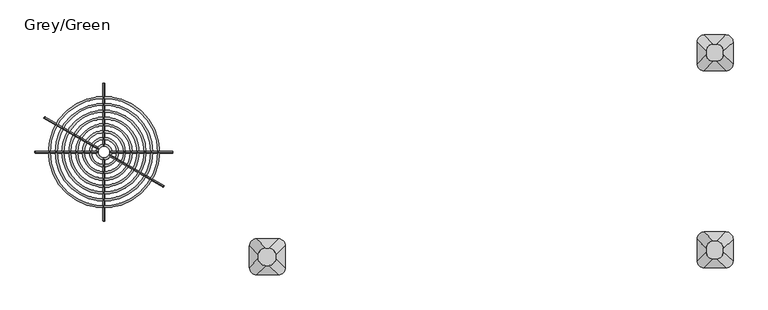
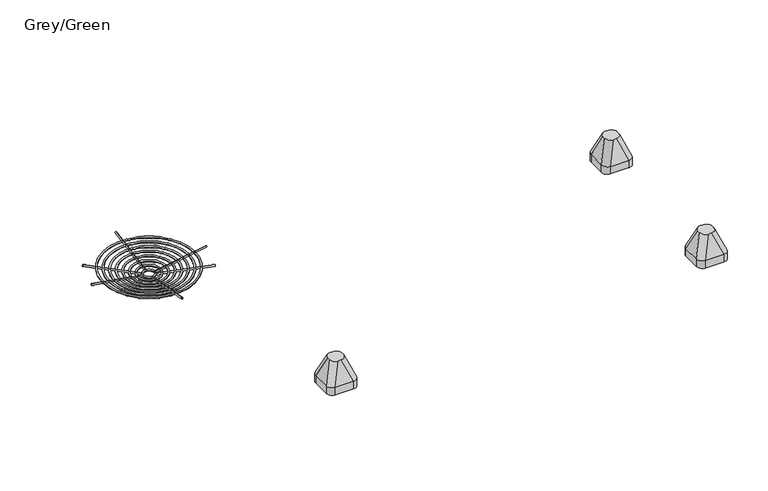
"""IFC4 building model written with IfcOpenShell, lengths in millimetres: furniture geometry, Grey/Green."""

from ifc_helpers import new_model, si_unit, point, frame, frame_2d, origin, place, context, project, spatial, circle_curve, ellipse_curve, trimmed, segment, composite_curve, outline, extrude, source, transform, mapped, element, save
from ifc_brep_helpers import plane_surface, cylinder_surface, revolved_surface, extruded_surface, advanced_brep


def grey_green_5bdf737d(model_context):
    return source(origin(), model_context, "Body", "SolidModel", [
        extrude(outline(composite_curve([segment(trimmed(circle_curve(frame_2d((0.0, -8.0000001)), 8.0), [point((0.0, -16.0))], [point((0.0, 0.0))], False, "CARTESIAN"), True, "CONTINUOUS"), segment(trimmed(circle_curve(frame_2d((0.0, -8.0000001)), 8.0), [point((0.0, 0.0))], [point((0.0, -16.0))], False, "CARTESIAN"), True, "CONTINUOUS")], self_intersect=False)), frame((-48.3054722, 22.088136, 510.4143934), z_axis=(-0.8532184077808784, 0.4926058774098467, 0.17134117475124833), x_axis=(-0.5000000000000097, -0.8660254037844332, 0.0)), (0.0, 0.0, 1.0), 525.6770169),
        extrude(outline(composite_curve([segment(trimmed(circle_curve(frame_2d((0.0, -8.0000001)), 8.0), [point((0.0, -16.0))], [point((0.0, 0.0))], False, "CARTESIAN"), True, "CONTINUOUS"), segment(trimmed(circle_curve(frame_2d((0.0, -8.0000001)), 8.0), [point((0.0, 0.0))], [point((0.0, -16.0))], False, "CARTESIAN"), True, "CONTINUOUS")], self_intersect=False)), frame((48.2360089, -33.6501141, 510.5528529), z_axis=(0.8532184077808816, -0.49260587740984113, 0.17134117475124833), x_axis=(0.500000000000004, 0.8660254037844364, 0.0)), (0.0, 0.0, 1.0), 525.6770169),
        extrude(outline(composite_curve([segment(trimmed(circle_curve(frame_2d((0.0, -8.0000001)), 8.0), [point((0.0, -16.0))], [point((0.0, 0.0))], False, "CARTESIAN"), True, "CONTINUOUS"), segment(trimmed(circle_curve(frame_2d((0.0, -8.0000001)), 8.0), [point((0.0, 0.0))], [point((0.0, -16.0))], False, "CARTESIAN"), True, "CONTINUOUS")], self_intersect=False)), frame((-55.7729818, -5.7809891, 510.4143934), z_axis=(-0.9852117548196744, 0.0, 0.1713411747512483), x_axis=(0.0, -1.0, 0.0)), (0.0, 0.0, 1.0), 525.6770169),
        extrude(outline(composite_curve([segment(trimmed(circle_curve(frame_2d((0.0, -8.0000001)), 8.0), [point((0.0, -16.0))], [point((0.0, 0.0))], False, "CARTESIAN"), True, "CONTINUOUS"), segment(trimmed(circle_curve(frame_2d((0.0, -8.0000001)), 8.0), [point((0.0, 0.0))], [point((0.0, -16.0))], False, "CARTESIAN"), True, "CONTINUOUS")], self_intersect=False)), frame((55.7035184, -5.7809891, 510.5528529), z_axis=(0.9852117548196744, 0.0, 0.1713411747512483), x_axis=(0.0, 1.0, 0.0)), (0.0, 0.0, 1.0), 525.6770169),
        extrude(outline(composite_curve([segment(trimmed(circle_curve(frame_2d((0.0, -8.0000001)), 8.0), [point((0.0, -16.0))], [point((0.0, 0.0))], False, "CARTESIAN"), True, "CONTINUOUS"), segment(trimmed(circle_curve(frame_2d((0.0, -8.0000001)), 8.0), [point((0.0, 0.0))], [point((0.0, -16.0))], False, "CARTESIAN"), True, "CONTINUOUS")], self_intersect=False)), frame((-0.0347317, -61.5192392, 510.4143934), z_axis=(0.0, -0.9852117548196744, 0.17134117475124827), x_axis=(1.0, 0.0, 0.0)), (0.0, 0.0, 1.0), 525.6770169),
        extrude(outline(composite_curve([segment(trimmed(circle_curve(frame_2d((0.0, -8.0000001)), 8.0), [point((0.0, -16.0))], [point((0.0, 0.0))], False, "CARTESIAN"), True, "CONTINUOUS"), segment(trimmed(circle_curve(frame_2d((0.0, -8.0000001)), 8.0), [point((0.0, 0.0))], [point((0.0, -16.0))], False, "CARTESIAN"), True, "CONTINUOUS")], self_intersect=False)), frame((-0.0347317, 49.957261, 510.5528529), z_axis=(0.0, 0.9852117548196744, 0.1713411747512483), x_axis=(-1.0, 0.0, 0.0)), (0.0, 0.0, 1.0), 525.6770169),
        advanced_brep(
        [(448.7364652, -5.7567737, 572.190214), (-448.7364652, -5.7567737, 572.190214), (-464.7364652, -5.7567737, 572.190214), (464.7364652, -5.7567737, 572.190214)],
        [
            (0, 1, circle_curve(frame((0.0, -5.7567737, 572.190214), z_axis=(0.0, 0.0, -1.0), x_axis=(-1.0, 0.0, 0.0)), 448.7364652)),
            (1, 2, circle_curve(frame((-456.7364652, -5.7567737, 572.190214), z_axis=(0.0, -1.0, 0.0), x_axis=(1.0, 0.0, 0.0)), 8.0)),
            (2, 3, circle_curve(frame((0.0, -5.7567737, 572.190214), z_axis=(0.0, 0.0, 1.0), x_axis=(-1.0, 0.0, 0.0)), 464.7364652)),
            (3, 0, circle_curve(frame((456.7364652, -5.7567737, 572.190214), z_axis=(0.0, -1.0, 0.0), x_axis=(-1.0, 0.0, 0.0)), 8.0)),
            (2, 1, circle_curve(frame((-456.7364652, -5.7567737, 572.190214), z_axis=(0.0, -1.0, 0.0), x_axis=(1.0, 0.0, 0.0)), 8.0)),
            (0, 3, circle_curve(frame((456.7364652, -5.7567737, 572.190214), z_axis=(0.0, -1.0, 0.0), x_axis=(-1.0, 0.0, 0.0)), 8.0)),
            (1, 0, circle_curve(frame((0.0, -5.7567737, 572.190214), z_axis=(0.0, 0.0, -1.0), x_axis=(1.0, 0.0, 0.0)), 448.7364652)),
            (3, 2, circle_curve(frame((0.0, -5.7567737, 572.190214), z_axis=(0.0, 0.0, 1.0), x_axis=(1.0, 0.0, 0.0)), 464.7364652)),
        ],
        [
            revolved_surface(trimmed(ellipse_curve(frame((-456.7364652, -5.7567737, 572.190214), z_axis=(0.0, 1.0, 0.0), x_axis=(1.0, 0.0, 0.0)), 8.0, 8.0), [point((-464.7364652, -5.7567737, 572.190214))], [point((-448.7364652, -5.7567737, 572.190214))], True, "CARTESIAN"), (0.0, -5.7567737, 0.1), (0.0, 0.0, 1.0)),
            revolved_surface(trimmed(ellipse_curve(frame((-456.7364652, -5.7567737, 572.190214), z_axis=(0.0, 1.0, 0.0), x_axis=(1.0, 0.0, 0.0)), 8.0, 8.0), [point((-448.7364652, -5.7567737, 572.190214))], [point((-464.7364652, -5.7567737, 572.190214))], True, "CARTESIAN"), (0.0, -5.7567737, 0.1), (0.0, 0.0, 1.0)),
            revolved_surface(trimmed(ellipse_curve(frame((456.7364652, -5.7567737, 572.190214), z_axis=(0.0, -1.0, 0.0), x_axis=(-1.0, 0.0, 0.0)), 8.0, 8.0), [point((464.7364652, -5.7567737, 572.190214))], [point((448.7364652, -5.7567737, 572.190214))], True, "CARTESIAN"), (0.0, -5.7567737, 0.1), (0.0, 0.0, 1.0)),
            revolved_surface(trimmed(ellipse_curve(frame((456.7364652, -5.7567737, 572.190214), z_axis=(0.0, -1.0, 0.0), x_axis=(-1.0, 0.0, 0.0)), 8.0, 8.0), [point((448.7364652, -5.7567737, 572.190214))], [point((464.7364652, -5.7567737, 572.190214))], True, "CARTESIAN"), (0.0, -5.7567737, 0.1), (0.0, 0.0, 1.0)),
        ],
        [
            (0, [[1, 2, 3, 4]]),
            (1, [[-3, 5, -1, 6]]),
            (2, [[7, -4, 8, -2]]),
            (3, [[-8, -6, -7, -5]]),
        ],
    ),
        advanced_brep(
        [(391.6928848, -5.7567737, 562.1714642), (-391.6928848, -5.7567737, 562.1714642), (-407.6928848, -5.7567737, 562.1714642), (407.6928848, -5.7567737, 562.1714642)],
        [
            (0, 1, circle_curve(frame((0.0, -5.7567737, 562.1714642), z_axis=(0.0, 0.0, -1.0), x_axis=(-1.0, 0.0, 0.0)), 391.6928848)),
            (1, 2, circle_curve(frame((-399.6928848, -5.7567737, 562.1714642), z_axis=(0.0, -1.0, 0.0), x_axis=(1.0, 0.0, 0.0)), 8.0)),
            (2, 3, circle_curve(frame((0.0, -5.7567737, 562.1714642), z_axis=(0.0, 0.0, 1.0), x_axis=(-1.0, 0.0, 0.0)), 407.6928848)),
            (3, 0, circle_curve(frame((399.6928848, -5.7567737, 562.1714642), z_axis=(0.0, -1.0, 0.0), x_axis=(-1.0, 0.0, 0.0)), 8.0)),
            (2, 1, circle_curve(frame((-399.6928848, -5.7567737, 562.1714642), z_axis=(0.0, -1.0, 0.0), x_axis=(1.0, 0.0, 0.0)), 8.0)),
            (0, 3, circle_curve(frame((399.6928848, -5.7567737, 562.1714642), z_axis=(0.0, -1.0, 0.0), x_axis=(-1.0, 0.0, 0.0)), 8.0)),
            (1, 0, circle_curve(frame((0.0, -5.7567737, 562.1714642), z_axis=(0.0, 0.0, -1.0), x_axis=(1.0, 0.0, 0.0)), 391.6928848)),
            (3, 2, circle_curve(frame((0.0, -5.7567737, 562.1714642), z_axis=(0.0, 0.0, 1.0), x_axis=(1.0, 0.0, 0.0)), 407.6928848)),
        ],
        [
            revolved_surface(trimmed(ellipse_curve(frame((-399.6928848, -5.7567737, 562.1714642), z_axis=(0.0, 1.0, 0.0), x_axis=(1.0, 0.0, 0.0)), 8.0, 8.0), [point((-407.6928848, -5.7567737, 562.1714642))], [point((-391.6928848, -5.7567737, 562.1714642))], True, "CARTESIAN"), (0.0, -5.7567737, 0.1), (0.0, 0.0, 1.0)),
            revolved_surface(trimmed(ellipse_curve(frame((-399.6928848, -5.7567737, 562.1714642), z_axis=(0.0, 1.0, 0.0), x_axis=(1.0, 0.0, 0.0)), 8.0, 8.0), [point((-391.6928848, -5.7567737, 562.1714642))], [point((-407.6928848, -5.7567737, 562.1714642))], True, "CARTESIAN"), (0.0, -5.7567737, 0.1), (0.0, 0.0, 1.0)),
            revolved_surface(trimmed(ellipse_curve(frame((399.6928848, -5.7567737, 562.1714642), z_axis=(0.0, -1.0, 0.0), x_axis=(-1.0, 0.0, 0.0)), 8.0, 8.0), [point((407.6928848, -5.7567737, 562.1714642))], [point((391.6928848, -5.7567737, 562.1714642))], True, "CARTESIAN"), (0.0, -5.7567737, 0.1), (0.0, 0.0, 1.0)),
            revolved_surface(trimmed(ellipse_curve(frame((399.6928848, -5.7567737, 562.1714642), z_axis=(0.0, -1.0, 0.0), x_axis=(-1.0, 0.0, 0.0)), 8.0, 8.0), [point((391.6928848, -5.7567737, 562.1714642))], [point((407.6928848, -5.7567737, 562.1714642))], True, "CARTESIAN"), (0.0, -5.7567737, 0.1), (0.0, 0.0, 1.0)),
        ],
        [
            (0, [[1, 2, 3, 4]]),
            (1, [[-3, 5, -1, 6]]),
            (2, [[7, -4, 8, -2]]),
            (3, [[-8, -6, -7, -5]]),
        ],
    ),
        advanced_brep(
        [(334.6014773, -5.7567737, 552.3139496), (-334.6014773, -5.7567737, 552.3139496), (-350.6014773, -5.7567737, 552.3139496), (350.6014773, -5.7567737, 552.3139496)],
        [
            (0, 1, circle_curve(frame((0.0, -5.7567737, 552.3139496), z_axis=(0.0, 0.0, -1.0), x_axis=(-1.0, 0.0, 0.0)), 334.6014773)),
            (1, 2, circle_curve(frame((-342.6014773, -5.7567737, 552.3139496), z_axis=(0.0, -1.0, 0.0), x_axis=(1.0, 0.0, 0.0)), 8.0)),
            (2, 3, circle_curve(frame((0.0, -5.7567737, 552.3139496), z_axis=(0.0, 0.0, 1.0), x_axis=(-1.0, 0.0, 0.0)), 350.6014773)),
            (3, 0, circle_curve(frame((342.6014773, -5.7567737, 552.3139496), z_axis=(0.0, -1.0, 0.0), x_axis=(-1.0, 0.0, 0.0)), 8.0)),
            (2, 1, circle_curve(frame((-342.6014773, -5.7567737, 552.3139496), z_axis=(0.0, -1.0, 0.0), x_axis=(1.0, 0.0, 0.0)), 8.0)),
            (0, 3, circle_curve(frame((342.6014773, -5.7567737, 552.3139496), z_axis=(0.0, -1.0, 0.0), x_axis=(-1.0, 0.0, 0.0)), 8.0)),
            (1, 0, circle_curve(frame((0.0, -5.7567737, 552.3139496), z_axis=(0.0, 0.0, -1.0), x_axis=(1.0, 0.0, 0.0)), 334.6014773)),
            (3, 2, circle_curve(frame((0.0, -5.7567737, 552.3139496), z_axis=(0.0, 0.0, 1.0), x_axis=(1.0, 0.0, 0.0)), 350.6014773)),
        ],
        [
            revolved_surface(trimmed(ellipse_curve(frame((-342.6014773, -5.7567737, 552.3139496), z_axis=(0.0, 1.0, 0.0), x_axis=(1.0, 0.0, 0.0)), 8.0, 8.0), [point((-350.6014773, -5.7567737, 552.3139496))], [point((-334.6014773, -5.7567737, 552.3139496))], True, "CARTESIAN"), (0.0, -5.7567737, 0.1), (0.0, 0.0, 1.0)),
            revolved_surface(trimmed(ellipse_curve(frame((-342.6014773, -5.7567737, 552.3139496), z_axis=(0.0, 1.0, 0.0), x_axis=(1.0, 0.0, 0.0)), 8.0, 8.0), [point((-334.6014773, -5.7567737, 552.3139496))], [point((-350.6014773, -5.7567737, 552.3139496))], True, "CARTESIAN"), (0.0, -5.7567737, 0.1), (0.0, 0.0, 1.0)),
            revolved_surface(trimmed(ellipse_curve(frame((342.6014773, -5.7567737, 552.3139496), z_axis=(0.0, -1.0, 0.0), x_axis=(-1.0, 0.0, 0.0)), 8.0, 8.0), [point((350.6014773, -5.7567737, 552.3139496))], [point((334.6014773, -5.7567737, 552.3139496))], True, "CARTESIAN"), (0.0, -5.7567737, 0.1), (0.0, 0.0, 1.0)),
            revolved_surface(trimmed(ellipse_curve(frame((342.6014773, -5.7567737, 552.3139496), z_axis=(0.0, -1.0, 0.0), x_axis=(-1.0, 0.0, 0.0)), 8.0, 8.0), [point((334.6014773, -5.7567737, 552.3139496))], [point((350.6014773, -5.7567737, 552.3139496))], True, "CARTESIAN"), (0.0, -5.7567737, 0.1), (0.0, 0.0, 1.0)),
        ],
        [
            (0, [[1, 2, 3, 4]]),
            (1, [[-3, 5, -1, 6]]),
            (2, [[7, -4, 8, -2]]),
            (3, [[-8, -6, -7, -5]]),
        ],
    ),
        advanced_brep(
        [(277.4216223, -5.7567737, 542.3912884), (-277.4216223, -5.7567737, 542.3912884), (-293.4216223, -5.7567737, 542.3912884), (293.4216223, -5.7567737, 542.3912884)],
        [
            (0, 1, circle_curve(frame((0.0, -5.7567737, 542.3912884), z_axis=(0.0, 0.0, -1.0), x_axis=(-1.0, 0.0, 0.0)), 277.4216223)),
            (1, 2, circle_curve(frame((-285.4216223, -5.7567737, 542.3912884), z_axis=(0.0, -1.0, 0.0), x_axis=(1.0, 0.0, 0.0)), 8.0)),
            (2, 3, circle_curve(frame((0.0, -5.7567737, 542.3912884), z_axis=(0.0, 0.0, 1.0), x_axis=(-1.0, 0.0, 0.0)), 293.4216223)),
            (3, 0, circle_curve(frame((285.4216223, -5.7567737, 542.3912884), z_axis=(0.0, -1.0, 0.0), x_axis=(-1.0, 0.0, 0.0)), 8.0)),
            (2, 1, circle_curve(frame((-285.4216223, -5.7567737, 542.3912884), z_axis=(0.0, -1.0, 0.0), x_axis=(1.0, 0.0, 0.0)), 8.0)),
            (0, 3, circle_curve(frame((285.4216223, -5.7567737, 542.3912884), z_axis=(0.0, -1.0, 0.0), x_axis=(-1.0, 0.0, 0.0)), 8.0)),
            (1, 0, circle_curve(frame((0.0, -5.7567737, 542.3912884), z_axis=(0.0, 0.0, -1.0), x_axis=(1.0, 0.0, 0.0)), 277.4216223)),
            (3, 2, circle_curve(frame((0.0, -5.7567737, 542.3912884), z_axis=(0.0, 0.0, 1.0), x_axis=(1.0, 0.0, 0.0)), 293.4216223)),
        ],
        [
            revolved_surface(trimmed(ellipse_curve(frame((-285.4216223, -5.7567737, 542.3912884), z_axis=(0.0, 1.0, 0.0), x_axis=(1.0, 0.0, 0.0)), 8.0, 8.0), [point((-293.4216223, -5.7567737, 542.3912884))], [point((-277.4216223, -5.7567737, 542.3912884))], True, "CARTESIAN"), (0.0, -5.7567737, 0.1), (0.0, 0.0, 1.0)),
            revolved_surface(trimmed(ellipse_curve(frame((-285.4216223, -5.7567737, 542.3912884), z_axis=(0.0, 1.0, 0.0), x_axis=(1.0, 0.0, 0.0)), 8.0, 8.0), [point((-277.4216223, -5.7567737, 542.3912884))], [point((-293.4216223, -5.7567737, 542.3912884))], True, "CARTESIAN"), (0.0, -5.7567737, 0.1), (0.0, 0.0, 1.0)),
            revolved_surface(trimmed(ellipse_curve(frame((285.4216223, -5.7567737, 542.3912884), z_axis=(0.0, -1.0, 0.0), x_axis=(-1.0, 0.0, 0.0)), 8.0, 8.0), [point((293.4216223, -5.7567737, 542.3912884))], [point((277.4216223, -5.7567737, 542.3912884))], True, "CARTESIAN"), (0.0, -5.7567737, 0.1), (0.0, 0.0, 1.0)),
            revolved_surface(trimmed(ellipse_curve(frame((285.4216223, -5.7567737, 542.3912884), z_axis=(0.0, -1.0, 0.0), x_axis=(-1.0, 0.0, 0.0)), 8.0, 8.0), [point((277.4216223, -5.7567737, 542.3912884))], [point((293.4216223, -5.7567737, 542.3912884))], True, "CARTESIAN"), (0.0, -5.7567737, 0.1), (0.0, 0.0, 1.0)),
        ],
        [
            (0, [[1, 2, 3, 4]]),
            (1, [[-3, 5, -1, 6]]),
            (2, [[7, -4, 8, -2]]),
            (3, [[-8, -6, -7, -5]]),
        ],
    ),
        advanced_brep(
        [(220.4010994, -5.7567737, 532.4558342), (-220.4010994, -5.7567737, 532.4558342), (-236.4010994, -5.7567737, 532.4558342), (236.4010994, -5.7567737, 532.4558342)],
        [
            (0, 1, circle_curve(frame((0.0, -5.7567737, 532.4558342), z_axis=(0.0, 0.0, -1.0), x_axis=(-1.0, 0.0, 0.0)), 220.4010994)),
            (1, 2, circle_curve(frame((-228.4010994, -5.7567737, 532.4558342), z_axis=(0.0, -1.0, 0.0), x_axis=(1.0, 0.0, 0.0)), 8.0)),
            (2, 3, circle_curve(frame((0.0, -5.7567737, 532.4558342), z_axis=(0.0, 0.0, 1.0), x_axis=(-1.0, 0.0, 0.0)), 236.4010994)),
            (3, 0, circle_curve(frame((228.4010994, -5.7567737, 532.4558342), z_axis=(0.0, -1.0, 0.0), x_axis=(-1.0, 0.0, 0.0)), 8.0)),
            (2, 1, circle_curve(frame((-228.4010994, -5.7567737, 532.4558342), z_axis=(0.0, -1.0, 0.0), x_axis=(1.0, 0.0, 0.0)), 8.0)),
            (0, 3, circle_curve(frame((228.4010994, -5.7567737, 532.4558342), z_axis=(0.0, -1.0, 0.0), x_axis=(-1.0, 0.0, 0.0)), 8.0)),
            (1, 0, circle_curve(frame((0.0, -5.7567737, 532.4558342), z_axis=(0.0, 0.0, -1.0), x_axis=(1.0, 0.0, 0.0)), 220.4010994)),
            (3, 2, circle_curve(frame((0.0, -5.7567737, 532.4558342), z_axis=(0.0, 0.0, 1.0), x_axis=(1.0, 0.0, 0.0)), 236.4010994)),
        ],
        [
            revolved_surface(trimmed(ellipse_curve(frame((-228.4010994, -5.7567737, 532.4558342), z_axis=(0.0, 1.0, 0.0), x_axis=(1.0, 0.0, 0.0)), 8.0, 8.0), [point((-236.4010994, -5.7567737, 532.4558342))], [point((-220.4010994, -5.7567737, 532.4558342))], True, "CARTESIAN"), (0.0, -5.7567737, 0.1), (0.0, 0.0, 1.0)),
            revolved_surface(trimmed(ellipse_curve(frame((-228.4010994, -5.7567737, 532.4558342), z_axis=(0.0, 1.0, 0.0), x_axis=(1.0, 0.0, 0.0)), 8.0, 8.0), [point((-220.4010994, -5.7567737, 532.4558342))], [point((-236.4010994, -5.7567737, 532.4558342))], True, "CARTESIAN"), (0.0, -5.7567737, 0.1), (0.0, 0.0, 1.0)),
            revolved_surface(trimmed(ellipse_curve(frame((228.4010994, -5.7567737, 532.4558342), z_axis=(0.0, -1.0, 0.0), x_axis=(-1.0, 0.0, 0.0)), 8.0, 8.0), [point((236.4010994, -5.7567737, 532.4558342))], [point((220.4010994, -5.7567737, 532.4558342))], True, "CARTESIAN"), (0.0, -5.7567737, 0.1), (0.0, 0.0, 1.0)),
            revolved_surface(trimmed(ellipse_curve(frame((228.4010994, -5.7567737, 532.4558342), z_axis=(0.0, -1.0, 0.0), x_axis=(-1.0, 0.0, 0.0)), 8.0, 8.0), [point((220.4010994, -5.7567737, 532.4558342))], [point((236.4010994, -5.7567737, 532.4558342))], True, "CARTESIAN"), (0.0, -5.7567737, 0.1), (0.0, 0.0, 1.0)),
        ],
        [
            (0, [[1, 2, 3, 4]]),
            (1, [[-3, 5, -1, 6]]),
            (2, [[7, -4, 8, -2]]),
            (3, [[-8, -6, -7, -5]]),
        ],
    ),
        advanced_brep(
        [(163.3918023, -5.7567737, 522.4456297), (-163.3918023, -5.7567737, 522.4456297), (-179.3918023, -5.7567737, 522.4456297), (179.3918023, -5.7567737, 522.4456297)],
        [
            (0, 1, circle_curve(frame((0.0, -5.7567737, 522.4456297), z_axis=(0.0, 0.0, -1.0), x_axis=(-1.0, 0.0, 0.0)), 163.3918023)),
            (1, 2, circle_curve(frame((-171.3918023, -5.7567737, 522.4456297), z_axis=(0.0, -1.0, 0.0), x_axis=(1.0, 0.0, 0.0)), 8.0)),
            (2, 3, circle_curve(frame((0.0, -5.7567737, 522.4456297), z_axis=(0.0, 0.0, 1.0), x_axis=(-1.0, 0.0, 0.0)), 179.3918023)),
            (3, 0, circle_curve(frame((171.3918023, -5.7567737, 522.4456297), z_axis=(0.0, -1.0, 0.0), x_axis=(-1.0, 0.0, 0.0)), 8.0)),
            (2, 1, circle_curve(frame((-171.3918023, -5.7567737, 522.4456297), z_axis=(0.0, -1.0, 0.0), x_axis=(1.0, 0.0, 0.0)), 8.0)),
            (0, 3, circle_curve(frame((171.3918023, -5.7567737, 522.4456297), z_axis=(0.0, -1.0, 0.0), x_axis=(-1.0, 0.0, 0.0)), 8.0)),
            (1, 0, circle_curve(frame((0.0, -5.7567737, 522.4456297), z_axis=(0.0, 0.0, -1.0), x_axis=(1.0, 0.0, 0.0)), 163.3918023)),
            (3, 2, circle_curve(frame((0.0, -5.7567737, 522.4456297), z_axis=(0.0, 0.0, 1.0), x_axis=(1.0, 0.0, 0.0)), 179.3918023)),
        ],
        [
            revolved_surface(trimmed(ellipse_curve(frame((-171.3918023, -5.7567737, 522.4456297), z_axis=(0.0, 1.0, 0.0), x_axis=(1.0, 0.0, 0.0)), 8.0, 8.0), [point((-179.3918023, -5.7567737, 522.4456297))], [point((-163.3918023, -5.7567737, 522.4456297))], True, "CARTESIAN"), (0.0, -5.7567737, 0.1), (0.0, 0.0, 1.0)),
            revolved_surface(trimmed(ellipse_curve(frame((-171.3918023, -5.7567737, 522.4456297), z_axis=(0.0, 1.0, 0.0), x_axis=(1.0, 0.0, 0.0)), 8.0, 8.0), [point((-163.3918023, -5.7567737, 522.4456297))], [point((-179.3918023, -5.7567737, 522.4456297))], True, "CARTESIAN"), (0.0, -5.7567737, 0.1), (0.0, 0.0, 1.0)),
            revolved_surface(trimmed(ellipse_curve(frame((171.3918023, -5.7567737, 522.4456297), z_axis=(0.0, -1.0, 0.0), x_axis=(-1.0, 0.0, 0.0)), 8.0, 8.0), [point((179.3918023, -5.7567737, 522.4456297))], [point((163.3918023, -5.7567737, 522.4456297))], True, "CARTESIAN"), (0.0, -5.7567737, 0.1), (0.0, 0.0, 1.0)),
            revolved_surface(trimmed(ellipse_curve(frame((171.3918023, -5.7567737, 522.4456297), z_axis=(0.0, -1.0, 0.0), x_axis=(-1.0, 0.0, 0.0)), 8.0, 8.0), [point((163.3918023, -5.7567737, 522.4456297))], [point((179.3918023, -5.7567737, 522.4456297))], True, "CARTESIAN"), (0.0, -5.7567737, 0.1), (0.0, 0.0, 1.0)),
        ],
        [
            (0, [[1, 2, 3, 4]]),
            (1, [[-3, 5, -1, 6]]),
            (2, [[7, -4, 8, -2]]),
            (3, [[-8, -6, -7, -5]]),
        ],
    ),
        advanced_brep(
        [(106.2067904, -5.7567737, 512.5258509), (-106.2067904, -5.7567737, 512.5258509), (-122.2067904, -5.7567737, 512.5258509), (122.2067904, -5.7567737, 512.5258509)],
        [
            (0, 1, circle_curve(frame((0.0, -5.7567737, 512.5258509), z_axis=(0.0, 0.0, -1.0), x_axis=(-1.0, 0.0, 0.0)), 106.2067904)),
            (1, 2, circle_curve(frame((-114.2067904, -5.7567737, 512.5258509), z_axis=(0.0, -1.0, 0.0), x_axis=(1.0, 0.0, 0.0)), 8.0)),
            (2, 3, circle_curve(frame((0.0, -5.7567737, 512.5258509), z_axis=(0.0, 0.0, 1.0), x_axis=(-1.0, 0.0, 0.0)), 122.2067904)),
            (3, 0, circle_curve(frame((114.2067904, -5.7567737, 512.5258509), z_axis=(0.0, -1.0, 0.0), x_axis=(-1.0, 0.0, 0.0)), 8.0)),
            (2, 1, circle_curve(frame((-114.2067904, -5.7567737, 512.5258509), z_axis=(0.0, -1.0, 0.0), x_axis=(1.0, 0.0, 0.0)), 8.0)),
            (0, 3, circle_curve(frame((114.2067904, -5.7567737, 512.5258509), z_axis=(0.0, -1.0, 0.0), x_axis=(-1.0, 0.0, 0.0)), 8.0)),
            (1, 0, circle_curve(frame((0.0, -5.7567737, 512.5258509), z_axis=(0.0, 0.0, -1.0), x_axis=(1.0, 0.0, 0.0)), 106.2067904)),
            (3, 2, circle_curve(frame((0.0, -5.7567737, 512.5258509), z_axis=(0.0, 0.0, 1.0), x_axis=(1.0, 0.0, 0.0)), 122.2067904)),
        ],
        [
            revolved_surface(trimmed(ellipse_curve(frame((-114.2067904, -5.7567737, 512.5258509), z_axis=(0.0, 1.0, 0.0), x_axis=(1.0, 0.0, 0.0)), 8.0, 8.0), [point((-122.2067904, -5.7567737, 512.5258509))], [point((-106.2067904, -5.7567737, 512.5258509))], True, "CARTESIAN"), (0.0, -5.7567737, 0.1), (0.0, 0.0, 1.0)),
            revolved_surface(trimmed(ellipse_curve(frame((-114.2067904, -5.7567737, 512.5258509), z_axis=(0.0, 1.0, 0.0), x_axis=(1.0, 0.0, 0.0)), 8.0, 8.0), [point((-106.2067904, -5.7567737, 512.5258509))], [point((-122.2067904, -5.7567737, 512.5258509))], True, "CARTESIAN"), (0.0, -5.7567737, 0.1), (0.0, 0.0, 1.0)),
            revolved_surface(trimmed(ellipse_curve(frame((114.2067904, -5.7567737, 512.5258509), z_axis=(0.0, -1.0, 0.0), x_axis=(-1.0, 0.0, 0.0)), 8.0, 8.0), [point((122.2067904, -5.7567737, 512.5258509))], [point((106.2067904, -5.7567737, 512.5258509))], True, "CARTESIAN"), (0.0, -5.7567737, 0.1), (0.0, 0.0, 1.0)),
            revolved_surface(trimmed(ellipse_curve(frame((114.2067904, -5.7567737, 512.5258509), z_axis=(0.0, -1.0, 0.0), x_axis=(-1.0, 0.0, 0.0)), 8.0, 8.0), [point((106.2067904, -5.7567737, 512.5258509))], [point((122.2067904, -5.7567737, 512.5258509))], True, "CARTESIAN"), (0.0, -5.7567737, 0.1), (0.0, 0.0, 1.0)),
        ],
        [
            (0, [[1, 2, 3, 4]]),
            (1, [[-3, 5, -1, 6]]),
            (2, [[7, -4, 8, -2]]),
            (3, [[-8, -6, -7, -5]]),
        ],
    ),
        advanced_brep(
        [(49.094742, -5.7567737, 502.7501248), (-49.094742, -5.7567737, 502.7501248), (-65.094742, -5.7567737, 502.7501248), (65.094742, -5.7567737, 502.7501248)],
        [
            (0, 1, circle_curve(frame((0.0, -5.7567737, 502.7501248), z_axis=(0.0, 0.0, -1.0), x_axis=(-1.0, 0.0, 0.0)), 49.094742)),
            (1, 2, circle_curve(frame((-57.094742, -5.7567737, 502.7501248), z_axis=(0.0, -1.0, 0.0), x_axis=(1.0, 0.0, 0.0)), 8.0)),
            (2, 3, circle_curve(frame((0.0, -5.7567737, 502.7501248), z_axis=(0.0, 0.0, 1.0), x_axis=(-1.0, 0.0, 0.0)), 65.094742)),
            (3, 0, circle_curve(frame((57.094742, -5.7567737, 502.7501248), z_axis=(0.0, -1.0, 0.0), x_axis=(-1.0, 0.0, 0.0)), 8.0)),
            (2, 1, circle_curve(frame((-57.094742, -5.7567737, 502.7501248), z_axis=(0.0, -1.0, 0.0), x_axis=(1.0, 0.0, 0.0)), 8.0)),
            (0, 3, circle_curve(frame((57.094742, -5.7567737, 502.7501248), z_axis=(0.0, -1.0, 0.0), x_axis=(-1.0, 0.0, 0.0)), 8.0)),
            (1, 0, circle_curve(frame((0.0, -5.7567737, 502.7501248), z_axis=(0.0, 0.0, -1.0), x_axis=(1.0, 0.0, 0.0)), 49.094742)),
            (3, 2, circle_curve(frame((0.0, -5.7567737, 502.7501248), z_axis=(0.0, 0.0, 1.0), x_axis=(1.0, 0.0, 0.0)), 65.094742)),
        ],
        [
            revolved_surface(trimmed(ellipse_curve(frame((-57.094742, -5.7567737, 502.7501248), z_axis=(0.0, 1.0, 0.0), x_axis=(1.0, 0.0, 0.0)), 8.0, 8.0), [point((-65.094742, -5.7567737, 502.7501248))], [point((-49.094742, -5.7567737, 502.7501248))], True, "CARTESIAN"), (0.0, -5.7567737, 0.1), (0.0, 0.0, 1.0)),
            revolved_surface(trimmed(ellipse_curve(frame((-57.094742, -5.7567737, 502.7501248), z_axis=(0.0, 1.0, 0.0), x_axis=(1.0, 0.0, 0.0)), 8.0, 8.0), [point((-49.094742, -5.7567737, 502.7501248))], [point((-65.094742, -5.7567737, 502.7501248))], True, "CARTESIAN"), (0.0, -5.7567737, 0.1), (0.0, 0.0, 1.0)),
            revolved_surface(trimmed(ellipse_curve(frame((57.094742, -5.7567737, 502.7501248), z_axis=(0.0, -1.0, 0.0), x_axis=(-1.0, 0.0, 0.0)), 8.0, 8.0), [point((65.094742, -5.7567737, 502.7501248))], [point((49.094742, -5.7567737, 502.7501248))], True, "CARTESIAN"), (0.0, -5.7567737, 0.1), (0.0, 0.0, 1.0)),
            revolved_surface(trimmed(ellipse_curve(frame((57.094742, -5.7567737, 502.7501248), z_axis=(0.0, -1.0, 0.0), x_axis=(-1.0, 0.0, 0.0)), 8.0, 8.0), [point((49.094742, -5.7567737, 502.7501248))], [point((65.094742, -5.7567737, 502.7501248))], True, "CARTESIAN"), (0.0, -5.7567737, 0.1), (0.0, 0.0, 1.0)),
        ],
        [
            (0, [[1, 2, 3, 4]]),
            (1, [[-3, 5, -1, 6]]),
            (2, [[7, -4, 8, -2]]),
            (3, [[-8, -6, -7, -5]]),
        ],
    ),
        advanced_brep(
        [(1275.0, -729.6564102, -604.0), (1455.0, -729.6564102, -604.0), (1515.0, -789.6564102, -604.0), (1515.0, -969.6564102, -604.0), (1455.0, -1029.6564102, -604.0), (1275.0, -1029.6564102, -604.0), (1215.0, -969.6564102, -604.0), (1215.0, -789.6564102, -604.0), (1275.0, -729.6564102, -526.0689494), (1455.0, -729.6564102, -526.0689494), (1515.0, -789.6564102, -526.0689494), (1515.0, -969.6564102, -526.0689494), (1455.0, -1029.6564102, -526.0689494), (1275.0, -1029.6564102, -526.0689494), (1215.0, -969.6564102, -526.0689494), (1215.0, -789.6564102, -526.0689494), (1373.9540451, -808.2074699, -316.0689494), (1348.9540451, -808.2074699, -316.0689494), (1288.9540451, -868.2074699, -316.0689494), (1288.9540451, -893.2074699, -316.0689494), (1348.9540451, -953.2074699, -316.0689494), (1373.9540451, -953.2074699, -316.0689494), (1433.9540451, -893.2074699, -316.0689494), (1433.9540451, -868.2074699, -316.0689494)],
        [
            (0, 1),
            (1, 2, circle_curve(frame((1455.0, -789.6564102, -604.0), z_axis=(0.0, 0.0, -1.0), x_axis=(-1.0, 0.0, 0.0)), 60.0)),
            (2, 3),
            (3, 4, circle_curve(frame((1455.0, -969.6564102, -604.0), z_axis=(0.0, 0.0, -1.0), x_axis=(-1.0, 0.0, 0.0)), 60.0)),
            (4, 5),
            (5, 6, circle_curve(frame((1275.0, -969.6564102, -604.0), z_axis=(0.0, 0.0, -1.0), x_axis=(-1.0, 0.0, 0.0)), 60.0)),
            (6, 7),
            (7, 0, circle_curve(frame((1275.0, -789.6564102, -604.0), z_axis=(0.0, 0.0, -1.0), x_axis=(-1.0, 0.0, 0.0)), 60.0)),
            (0, 8),
            (8, 9),
            (9, 1),
            (2, 10),
            (10, 11),
            (11, 3),
            (4, 12),
            (12, 13),
            (13, 5),
            (6, 14),
            (14, 15),
            (15, 7),
            (16, 17),
            (17, 18, circle_curve(frame((1348.9540451, -868.2074699, -316.0689494), z_axis=(0.0, 0.0, 1.0), x_axis=(-1.0, 0.0, 0.0)), 60.0)),
            (18, 19),
            (19, 20, circle_curve(frame((1348.9540451, -893.2074699, -316.0689494), z_axis=(0.0, 0.0, 1.0), x_axis=(-1.0, 0.0, 0.0)), 60.0)),
            (20, 21),
            (21, 22, circle_curve(frame((1373.9540451, -893.2074699, -316.0689494), z_axis=(0.0, 0.0, 1.0), x_axis=(-1.0, 0.0, 0.0)), 60.0)),
            (22, 23),
            (23, 16, circle_curve(frame((1373.9540451, -868.2074699, -316.0689494), z_axis=(0.0, 0.0, 1.0), x_axis=(-1.0, 0.0, 0.0)), 60.0)),
            (22, 11),
            (10, 23),
            (20, 13),
            (12, 21),
            (18, 15),
            (14, 19),
            (16, 9),
            (8, 17),
            (9, 10, circle_curve(frame((1455.0, -789.6564102, -526.0689494), z_axis=(0.0, 0.0, -1.0), x_axis=(-1.0, 0.0, 0.0)), 60.0)),
            (11, 12, circle_curve(frame((1455.0, -969.6564102, -526.0689494), z_axis=(0.0, 0.0, -1.0), x_axis=(-1.0, 0.0, 0.0)), 60.0)),
            (13, 14, circle_curve(frame((1275.0, -969.6564102, -526.0689494), z_axis=(0.0, 0.0, -1.0), x_axis=(-1.0, 0.0, 0.0)), 60.0)),
            (15, 8, circle_curve(frame((1275.0, -789.6564102, -526.0689494), z_axis=(0.0, 0.0, -1.0), x_axis=(-1.0, 0.0, 0.0)), 60.0)),
        ],
        [
            plane_surface(frame((1541.6329682, -729.6564102, -604.0), z_axis=(0.0, 0.0, -1.0), x_axis=(-1.0, 0.0, 0.0))),
            plane_surface(frame((1275.0, -729.6564102, -526.0689494), z_axis=(0.0, 1.0, 0.0), x_axis=(0.0, 0.0, -1.0))),
            plane_surface(frame((1515.0, -789.6564102, -526.0689494), z_axis=(1.0, 0.0, 0.0), x_axis=(0.0, 0.0, -1.0))),
            plane_surface(frame((1455.0, -1029.6564102, -526.0689494), z_axis=(0.0, -1.0, 0.0), x_axis=(0.0, 0.0, -1.0))),
            plane_surface(frame((1215.0, -969.6564102, -526.0689494), z_axis=(-1.0, 0.0, 0.0), x_axis=(0.0, 0.0, -1.0))),
            plane_surface(frame((1361.4540451, -880.7074699, -316.0689494), z_axis=(0.0, 0.0, 1.0), x_axis=(1.0, 0.0, 0.0))),
            plane_surface(frame((1515.0, -879.6564102, -526.0689494), z_axis=(0.9329330935587706, 0.0, 0.36004977842357055), x_axis=(0.0, -1.0, 0.0))),
            plane_surface(frame((1365.0, -1029.6564102, -526.0689494), z_axis=(0.0, -0.9396707723277333, 0.34208016550656856), x_axis=(-1.0, 0.0, 0.0))),
            plane_surface(frame((1215.0, -879.6564102, -526.0689494), z_axis=(-0.9432207285248213, 0.0, 0.33216661072586046), x_axis=(0.0, 1.0, 0.0))),
            plane_surface(frame((1365.0, -729.6564102, -526.0689494), z_axis=(0.0, 0.9366205672401335, 0.35034541958297477), x_axis=(1.0, 0.0, 0.0))),
            cylinder_surface(frame((1455.0, -789.6564102, -604.0), z_axis=(0.0, 0.0, 1.0), x_axis=(-1.0, 0.0, 0.0)), 60.0),
            cylinder_surface(frame((1455.0, -969.6564102, -604.0), z_axis=(0.0, 0.0, 1.0), x_axis=(-1.0, 0.0, 0.0)), 60.0),
            cylinder_surface(frame((1275.0, -969.6564102, -604.0), z_axis=(0.0, 0.0, 1.0), x_axis=(-1.0, 0.0, 0.0)), 60.0),
            cylinder_surface(frame((1275.0, -789.6564102, -604.0), z_axis=(0.0, 0.0, 1.0), x_axis=(-1.0, 0.0, 0.0)), 60.0),
            extruded_surface(trimmed(circle_curve(frame((1373.9540451, -868.2074699, -316.0689494), z_axis=(0.0, 0.0, -1.0), x_axis=(-1.0, 0.0, 0.0)), 60.0), [point((1373.9540451, -808.2074699, -316.0689494))], [point((1433.9540451, -868.2074699, -316.0689494))], True, "CARTESIAN"), (81.04595489999997, 78.5510597, -209.99999999999994), 238.40871583406042),
            extruded_surface(trimmed(circle_curve(frame((1348.9540451, -868.2074699, -316.0689494), z_axis=(0.0, 0.0, -1.0), x_axis=(-1.0, 0.0, 0.0)), 60.0), [point((1288.9540451, -868.2074699, -316.0689494))], [point((1348.9540451, -808.2074699, -316.0689494))], True, "CARTESIAN"), (-73.95404510000003, 78.5510597, -209.99999999999994), 236.0920790002193),
            extruded_surface(trimmed(circle_curve(frame((1373.9540451, -893.2074699, -316.0689494), z_axis=(0.0, 0.0, -1.0), x_axis=(-1.0, 0.0, 0.0)), 60.0), [point((1433.9540451, -893.2074699, -316.0689494))], [point((1373.9540451, -953.2074699, -316.0689494))], True, "CARTESIAN"), (81.04595489999997, -76.4489403, -209.99999999999994), 237.72439352882105),
            extruded_surface(trimmed(circle_curve(frame((1348.9540451, -893.2074699, -316.0689494), z_axis=(0.0, 0.0, -1.0), x_axis=(-1.0, 0.0, 0.0)), 60.0), [point((1348.9540451, -953.2074699, -316.0689494))], [point((1288.9540451, -893.2074699, -316.0689494))], True, "CARTESIAN"), (-73.95404510000003, -76.4489403, -209.99999999999994), 235.4010222145303),
        ],
        [
            (0, [[1, 2, 3, 4, 5, 6, 7, 8]]),
            (1, [[9, 10, 11, -1]]),
            (2, [[12, 13, 14, -3]]),
            (3, [[15, 16, 17, -5]]),
            (4, [[18, 19, 20, -7]]),
            (5, [[21, 22, 23, 24, 25, 26, 27, 28]]),
            (6, [[29, -13, 30, -27]]),
            (7, [[31, -16, 32, -25]]),
            (8, [[33, -19, 34, -23]]),
            (9, [[35, -10, 36, -21]]),
            (10, [[-11, 37, -12, -2]]),
            (11, [[-14, 38, -15, -4]]),
            (12, [[-17, 39, -18, -6]]),
            (13, [[-20, 40, -9, -8]]),
            (14, [[-30, -37, -35, -28]]),
            (15, [[-36, -40, -33, -22]]),
            (16, [[-32, -38, -29, -26]]),
            (17, [[-34, -39, -31, -24]]),
        ],
    ),
        advanced_brep(
        [(5013.0, -672.5, -604.0), (5193.0, -672.5, -604.0), (5253.0, -732.5, -604.0), (5253.0, -912.5, -604.0), (5193.0, -972.5, -604.0), (5013.0, -972.5, -604.0), (4953.0, -912.5, -604.0), (4953.0, -732.5, -604.0), (5013.0, -672.5, -526.0689494), (5193.0, -672.5, -526.0689494), (5253.0, -732.5, -526.0689494), (5253.0, -912.5, -526.0689494), (5193.0, -972.5, -526.0689494), (5013.0, -972.5, -526.0689494), (4953.0, -912.5, -526.0689494), (4953.0, -732.5, -526.0689494), (5111.9540451, -751.0510597, -316.0689494), (5086.9540451, -751.0510597, -316.0689494), (5026.9540451, -811.0510597, -316.0689494), (5026.9540451, -836.0510597, -316.0689494), (5086.9540451, -896.0510597, -316.0689494), (5111.9540451, -896.0510597, -316.0689494), (5171.9540451, -836.0510597, -316.0689494), (5171.9540451, -811.0510597, -316.0689494)],
        [
            (0, 1),
            (1, 2, circle_curve(frame((5193.0, -732.5, -604.0), z_axis=(0.0, 0.0, -1.0), x_axis=(-1.0, 0.0, 0.0)), 60.0)),
            (2, 3),
            (3, 4, circle_curve(frame((5193.0, -912.5, -604.0), z_axis=(0.0, 0.0, -1.0), x_axis=(-1.0, 0.0, 0.0)), 60.0)),
            (4, 5),
            (5, 6, circle_curve(frame((5013.0, -912.5, -604.0), z_axis=(0.0, 0.0, -1.0), x_axis=(-1.0, 0.0, 0.0)), 60.0)),
            (6, 7),
            (7, 0, circle_curve(frame((5013.0, -732.5, -604.0), z_axis=(0.0, 0.0, -1.0), x_axis=(-1.0, 0.0, 0.0)), 60.0)),
            (0, 8),
            (8, 9),
            (9, 1),
            (2, 10),
            (10, 11),
            (11, 3),
            (4, 12),
            (12, 13),
            (13, 5),
            (6, 14),
            (14, 15),
            (15, 7),
            (16, 17),
            (17, 18, circle_curve(frame((5086.9540451, -811.0510597, -316.0689494), z_axis=(0.0, 0.0, 1.0), x_axis=(-1.0, 0.0, 0.0)), 60.0)),
            (18, 19),
            (19, 20, circle_curve(frame((5086.9540451, -836.0510597, -316.0689494), z_axis=(0.0, 0.0, 1.0), x_axis=(-1.0, 0.0, 0.0)), 60.0)),
            (20, 21),
            (21, 22, circle_curve(frame((5111.9540451, -836.0510597, -316.0689494), z_axis=(0.0, 0.0, 1.0), x_axis=(-1.0, 0.0, 0.0)), 60.0)),
            (22, 23),
            (23, 16, circle_curve(frame((5111.9540451, -811.0510597, -316.0689494), z_axis=(0.0, 0.0, 1.0), x_axis=(-1.0, 0.0, 0.0)), 60.0)),
            (22, 11),
            (10, 23),
            (20, 13),
            (12, 21),
            (18, 15),
            (14, 19),
            (16, 9),
            (8, 17),
            (9, 10, circle_curve(frame((5193.0, -732.5, -526.0689494), z_axis=(0.0, 0.0, -1.0), x_axis=(-1.0, 0.0, 0.0)), 60.0)),
            (11, 12, circle_curve(frame((5193.0, -912.5, -526.0689494), z_axis=(0.0, 0.0, -1.0), x_axis=(-1.0, 0.0, 0.0)), 60.0)),
            (13, 14, circle_curve(frame((5013.0, -912.5, -526.0689494), z_axis=(0.0, 0.0, -1.0), x_axis=(-1.0, 0.0, 0.0)), 60.0)),
            (15, 8, circle_curve(frame((5013.0, -732.5, -526.0689494), z_axis=(0.0, 0.0, -1.0), x_axis=(-1.0, 0.0, 0.0)), 60.0)),
        ],
        [
            plane_surface(frame((5279.6329682, -672.5, -604.0), z_axis=(0.0, 0.0, -1.0), x_axis=(-1.0, 0.0, 0.0))),
            plane_surface(frame((5013.0, -672.5, -526.0689494), z_axis=(0.0, 1.0, 0.0), x_axis=(0.0, 0.0, -1.0))),
            plane_surface(frame((5253.0, -732.5, -526.0689494), z_axis=(1.0, 0.0, 0.0), x_axis=(0.0, 0.0, -1.0))),
            plane_surface(frame((5193.0, -972.5, -526.0689494), z_axis=(0.0, -1.0, 0.0), x_axis=(0.0, 0.0, -1.0))),
            plane_surface(frame((4953.0, -912.5, -526.0689494), z_axis=(-1.0, 0.0, 0.0), x_axis=(0.0, 0.0, -1.0))),
            plane_surface(frame((5099.4540451, -823.5510597, -316.0689494), z_axis=(0.0, 0.0, 1.0), x_axis=(1.0, 0.0, 0.0))),
            plane_surface(frame((5253.0, -822.5, -526.0689494), z_axis=(0.9329330935587706, 0.0, 0.36004977842357055), x_axis=(0.0, -1.0, 0.0))),
            plane_surface(frame((5103.0, -972.5, -526.0689494), z_axis=(0.0, -0.9396707723277333, 0.34208016550656856), x_axis=(-1.0, 0.0, 0.0))),
            plane_surface(frame((4953.0, -822.5, -526.0689494), z_axis=(-0.9432207285248213, 0.0, 0.33216661072586046), x_axis=(0.0, 1.0, 0.0))),
            plane_surface(frame((5103.0, -672.5, -526.0689494), z_axis=(0.0, 0.9366205672401335, 0.35034541958297477), x_axis=(1.0, 0.0, 0.0))),
            cylinder_surface(frame((5193.0, -732.5, -604.0), z_axis=(0.0, 0.0, 1.0), x_axis=(-1.0, 0.0, 0.0)), 60.0),
            cylinder_surface(frame((5193.0, -912.5, -604.0), z_axis=(0.0, 0.0, 1.0), x_axis=(-1.0, 0.0, 0.0)), 60.0),
            cylinder_surface(frame((5013.0, -912.5, -604.0), z_axis=(0.0, 0.0, 1.0), x_axis=(-1.0, 0.0, 0.0)), 60.0),
            cylinder_surface(frame((5013.0, -732.5, -604.0), z_axis=(0.0, 0.0, 1.0), x_axis=(-1.0, 0.0, 0.0)), 60.0),
            extruded_surface(trimmed(circle_curve(frame((5111.9540451, -811.0510597, -316.0689494), z_axis=(0.0, 0.0, -1.0), x_axis=(-1.0, 0.0, 0.0)), 60.0), [point((5111.9540451, -751.0510597, -316.0689494))], [point((5171.9540451, -811.0510597, -316.0689494))], True, "CARTESIAN"), (81.04595489999974, 78.5510597, -209.99999999999994), 238.40871583406033),
            extruded_surface(trimmed(circle_curve(frame((5086.9540451, -811.0510597, -316.0689494), z_axis=(0.0, 0.0, -1.0), x_axis=(-1.0, 0.0, 0.0)), 60.0), [point((5026.9540451, -811.0510597, -316.0689494))], [point((5086.9540451, -751.0510597, -316.0689494))], True, "CARTESIAN"), (-73.95404510000026, 78.5510597, -209.99999999999994), 236.09207900021934),
            extruded_surface(trimmed(circle_curve(frame((5111.9540451, -836.0510597, -316.0689494), z_axis=(0.0, 0.0, -1.0), x_axis=(-1.0, 0.0, 0.0)), 60.0), [point((5171.9540451, -836.0510597, -316.0689494))], [point((5111.9540451, -896.0510597, -316.0689494))], True, "CARTESIAN"), (81.04595489999974, -76.4489403, -209.99999999999994), 237.72439352882097),
            extruded_surface(trimmed(circle_curve(frame((5086.9540451, -836.0510597, -316.0689494), z_axis=(0.0, 0.0, -1.0), x_axis=(-1.0, 0.0, 0.0)), 60.0), [point((5086.9540451, -896.0510597, -316.0689494))], [point((5026.9540451, -836.0510597, -316.0689494))], True, "CARTESIAN"), (-73.95404510000026, -76.4489403, -209.99999999999994), 235.40102221453037),
        ],
        [
            (0, [[1, 2, 3, 4, 5, 6, 7, 8]]),
            (1, [[9, 10, 11, -1]]),
            (2, [[12, 13, 14, -3]]),
            (3, [[15, 16, 17, -5]]),
            (4, [[18, 19, 20, -7]]),
            (5, [[21, 22, 23, 24, 25, 26, 27, 28]]),
            (6, [[29, -13, 30, -27]]),
            (7, [[31, -16, 32, -25]]),
            (8, [[33, -19, 34, -23]]),
            (9, [[35, -10, 36, -21]]),
            (10, [[-11, 37, -12, -2]]),
            (11, [[-14, 38, -15, -4]]),
            (12, [[-17, 39, -18, -6]]),
            (13, [[-20, 40, -9, -8]]),
            (14, [[-30, -37, -35, -28]]),
            (15, [[-36, -40, -33, -22]]),
            (16, [[-32, -38, -29, -26]]),
            (17, [[-34, -39, -31, -24]]),
        ],
    ),
        advanced_brep(
        [(5013.0, 672.5, -604.0), (4953.0, 732.5, -604.0), (4953.0, 912.5, -604.0), (5013.0, 972.5, -604.0), (5193.0, 972.5, -604.0), (5253.0, 912.5, -604.0), (5253.0, 732.5, -604.0), (5193.0, 672.5, -604.0), (5193.0, 672.5, -526.0689494), (5013.0, 672.5, -526.0689494), (5253.0, 912.5, -526.0689494), (5253.0, 732.5, -526.0689494), (5013.0, 972.5, -526.0689494), (5193.0, 972.5, -526.0689494), (4953.0, 732.5, -526.0689494), (4953.0, 912.5, -526.0689494), (5111.9540451, 751.0510597, -316.0689494), (5171.9540451, 811.0510597, -316.0689494), (5171.9540451, 836.0510597, -316.0689494), (5111.9540451, 896.0510597, -316.0689494), (5086.9540451, 896.0510597, -316.0689494), (5026.9540451, 836.0510597, -316.0689494), (5026.9540451, 811.0510597, -316.0689494), (5086.9540451, 751.0510597, -316.0689494)],
        [
            (0, 1, circle_curve(frame((5013.0, 732.5, -604.0), z_axis=(0.0, 0.0, -1.0), x_axis=(-1.0, 0.0, 0.0)), 60.0)),
            (1, 2),
            (2, 3, circle_curve(frame((5013.0, 912.5, -604.0), z_axis=(0.0, 0.0, -1.0), x_axis=(-1.0, 0.0, 0.0)), 60.0)),
            (3, 4),
            (4, 5, circle_curve(frame((5193.0, 912.5, -604.0), z_axis=(0.0, 0.0, -1.0), x_axis=(-1.0, 0.0, 0.0)), 60.0)),
            (5, 6),
            (6, 7, circle_curve(frame((5193.0, 732.5, -604.0), z_axis=(0.0, 0.0, -1.0), x_axis=(-1.0, 0.0, 0.0)), 60.0)),
            (7, 0),
            (7, 8),
            (8, 9),
            (9, 0),
            (5, 10),
            (10, 11),
            (11, 6),
            (3, 12),
            (12, 13),
            (13, 4),
            (1, 14),
            (14, 15),
            (15, 2),
            (16, 17, circle_curve(frame((5111.9540451, 811.0510597, -316.0689494), z_axis=(0.0, 0.0, 1.0), x_axis=(-1.0, 0.0, 0.0)), 60.0)),
            (17, 18),
            (18, 19, circle_curve(frame((5111.9540451, 836.0510597, -316.0689494), z_axis=(0.0, 0.0, 1.0), x_axis=(-1.0, 0.0, 0.0)), 60.0)),
            (19, 20),
            (20, 21, circle_curve(frame((5086.9540451, 836.0510597, -316.0689494), z_axis=(0.0, 0.0, 1.0), x_axis=(-1.0, 0.0, 0.0)), 60.0)),
            (21, 22),
            (22, 23, circle_curve(frame((5086.9540451, 811.0510597, -316.0689494), z_axis=(0.0, 0.0, 1.0), x_axis=(-1.0, 0.0, 0.0)), 60.0)),
            (23, 16),
            (17, 11),
            (10, 18),
            (19, 13),
            (12, 20),
            (21, 15),
            (14, 22),
            (23, 9),
            (8, 16),
            (11, 8, circle_curve(frame((5193.0, 732.5, -526.0689494), z_axis=(0.0, 0.0, -1.0), x_axis=(-1.0, 0.0, 0.0)), 60.0)),
            (13, 10, circle_curve(frame((5193.0, 912.5, -526.0689494), z_axis=(0.0, 0.0, -1.0), x_axis=(-1.0, 0.0, 0.0)), 60.0)),
            (15, 12, circle_curve(frame((5013.0, 912.5, -526.0689494), z_axis=(0.0, 0.0, -1.0), x_axis=(-1.0, 0.0, 0.0)), 60.0)),
            (9, 14, circle_curve(frame((5013.0, 732.5, -526.0689494), z_axis=(0.0, 0.0, -1.0), x_axis=(-1.0, 0.0, 0.0)), 60.0)),
        ],
        [
            plane_surface(frame((5279.6329682, 672.5, -604.0), z_axis=(0.0, 0.0, -1.0), x_axis=(-1.0, 0.0, 0.0))),
            plane_surface(frame((5013.0, 672.5, -526.0689494), z_axis=(0.0, -1.0, 0.0), x_axis=(0.0, 0.0, -1.0))),
            plane_surface(frame((5253.0, 732.5, -526.0689494), z_axis=(1.0, 0.0, 0.0), x_axis=(0.0, 0.0, -1.0))),
            plane_surface(frame((5193.0, 972.5, -526.0689494), z_axis=(0.0, 1.0, 0.0), x_axis=(0.0, 0.0, -1.0))),
            plane_surface(frame((4953.0, 912.5, -526.0689494), z_axis=(-1.0, 0.0, 0.0), x_axis=(0.0, 0.0, -1.0))),
            plane_surface(frame((5099.4540451, 823.5510597, -316.0689494), z_axis=(0.0, 0.0, 1.0), x_axis=(1.0, 0.0, 0.0))),
            plane_surface(frame((5253.0, 822.5, -526.0689494), z_axis=(0.9329330935587706, 0.0, 0.36004977842357055), x_axis=(0.0, 1.0, 0.0))),
            plane_surface(frame((5103.0, 972.5, -526.0689494), z_axis=(0.0, 0.9396707723277333, 0.34208016550656856), x_axis=(-1.0, 0.0, 0.0))),
            plane_surface(frame((4953.0, 822.5, -526.0689494), z_axis=(-0.9432207285248213, 0.0, 0.33216661072586046), x_axis=(0.0, -1.0, 0.0))),
            plane_surface(frame((5103.0, 672.5, -526.0689494), z_axis=(0.0, -0.9366205672401335, 0.35034541958297477), x_axis=(1.0, 0.0, 0.0))),
            cylinder_surface(frame((5193.0, 732.5, -604.0), z_axis=(0.0, 0.0, 1.0), x_axis=(-1.0, 0.0, 0.0)), 60.0),
            cylinder_surface(frame((5193.0, 912.5, -604.0), z_axis=(0.0, 0.0, 1.0), x_axis=(-1.0, 0.0, 0.0)), 60.0),
            cylinder_surface(frame((5013.0, 912.5, -604.0), z_axis=(0.0, 0.0, 1.0), x_axis=(-1.0, 0.0, 0.0)), 60.0),
            cylinder_surface(frame((5013.0, 732.5, -604.0), z_axis=(0.0, 0.0, 1.0), x_axis=(-1.0, 0.0, 0.0)), 60.0),
            extruded_surface(trimmed(circle_curve(frame((5193.0, 732.5, -526.0689494), z_axis=(0.0, 0.0, 1.0), x_axis=(-1.0, 0.0, 0.0)), 60.0), [point((5193.0, 672.5, -526.0689494))], [point((5253.0, 732.5, -526.0689494))], True, "CARTESIAN"), (-81.04595489999974, 78.5510597, 209.99999999999994), 238.40871583406033),
            extruded_surface(trimmed(circle_curve(frame((5013.0, 732.5, -526.0689494), z_axis=(0.0, 0.0, 1.0), x_axis=(-1.0, 0.0, 0.0)), 60.0), [point((4953.0, 732.5, -526.0689494))], [point((5013.0, 672.5, -526.0689494))], True, "CARTESIAN"), (73.95404510000026, 78.5510597, 209.99999999999994), 236.09207900021934),
            extruded_surface(trimmed(circle_curve(frame((5193.0, 912.5, -526.0689494), z_axis=(0.0, 0.0, 1.0), x_axis=(-1.0, 0.0, 0.0)), 60.0), [point((5253.0, 912.5, -526.0689494))], [point((5193.0, 972.5, -526.0689494))], True, "CARTESIAN"), (-81.04595489999974, -76.4489403, 209.99999999999994), 237.72439352882097),
            extruded_surface(trimmed(circle_curve(frame((5013.0, 912.5, -526.0689494), z_axis=(0.0, 0.0, 1.0), x_axis=(-1.0, 0.0, 0.0)), 60.0), [point((5013.0, 972.5, -526.0689494))], [point((4953.0, 912.5, -526.0689494))], True, "CARTESIAN"), (73.95404510000026, -76.4489403, 209.99999999999994), 235.40102221453037),
        ],
        [
            (0, [[1, 2, 3, 4, 5, 6, 7, 8]]),
            (1, [[-8, 9, 10, 11]]),
            (2, [[-6, 12, 13, 14]]),
            (3, [[-4, 15, 16, 17]]),
            (4, [[-2, 18, 19, 20]]),
            (5, [[21, 22, 23, 24, 25, 26, 27, 28]]),
            (6, [[-22, 29, -13, 30]]),
            (7, [[-24, 31, -16, 32]]),
            (8, [[-26, 33, -19, 34]]),
            (9, [[-28, 35, -10, 36]]),
            (10, [[-7, -14, 37, -9]]),
            (11, [[-5, -17, 38, -12]]),
            (12, [[-3, -20, 39, -15]]),
            (13, [[-1, -11, 40, -18]]),
            (14, [[-21, -36, -37, -29]]),
            (15, [[-27, -34, -40, -35]]),
            (16, [[-23, -30, -38, -31]]),
            (17, [[-25, -32, -39, -33]]),
        ],
    ),
    ])


if __name__ == "__main__":
    model = new_model("IFC4")
    model_context = context("Model", 3, world=origin())
    ifc_project = project(units=[si_unit("LENGTHUNIT", "METRE", prefix="MILLI")], contexts=[model_context])
    site = spatial("IfcSite", under=ifc_project)
    building = spatial("IfcBuilding", under=site)
    placement = place(None, origin())
    grey_green_shape = grey_green_5bdf737d(model_context)
    element("IfcFurniture", 1, ObjectType="Grey/Green", at=placement, inside=building, context=model_context, shape_type="MappedRepresentation", body=[
        mapped(grey_green_shape, transform((0.0, 0.0, 0.0), x_axis=(1.0, 0.0, 0.0), y_axis=(0.0, 1.0, 0.0), z_axis=(0.0, 0.0, 1.0))),
    ])
    save(model, "model.ifc")
